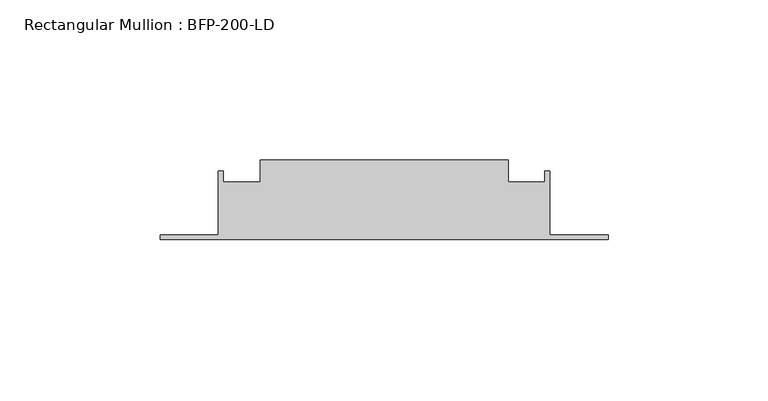
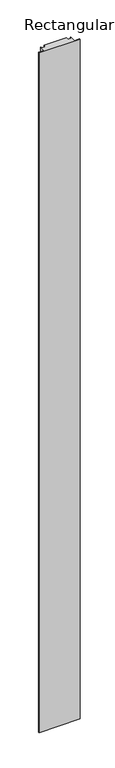
"""IFC4 building model written with IfcOpenShell, lengths in millimetres: member geometry, Rectangular Mullion : BFP-200-LD."""

from ifc_helpers import new_model, si_unit, frame, origin, place, context, project, spatial, polyline, outline, extrude, source, transform, mapped, element, save


def rectangular_mullion_bfp_200_ld_a60427b4(model_context):
    return source(origin(), model_context, "Body", "SweptSolid", [
        extrude(outline(polyline([(-31.25, 45.0), (-31.25, 38.0), (-19.75, 38.0), (-19.75, 41.5), (-18.25, 41.5), (-18.25, 21.5), (0.0, 21.5), (0.0, 20.0), (-140.0, 20.0), (-140.0, 21.5), (-121.75, 21.5), (-121.75, 41.5), (-120.25, 41.5), (-120.25, 38.0), (-108.75, 38.0), (-108.75, 45.0), (-31.25, 45.0)])), frame((0.0, 0.0, -2450.0), z_axis=(0.0, 0.0, 1.0), x_axis=(1.0, 0.0, 0.0)), (0.0, 0.0, 1.0), 2450.0),
    ])


if __name__ == "__main__":
    model = new_model("IFC4")
    model_context = context("Model", 3, world=origin())
    ifc_project = project(units=[si_unit("LENGTHUNIT", "METRE", prefix="MILLI")], contexts=[model_context])
    site = spatial("IfcSite", under=ifc_project)
    building = spatial("IfcBuilding", under=site)
    placement = place(None, origin())
    rectangular_mullion_bfp_200_ld_shape = rectangular_mullion_bfp_200_ld_a60427b4(model_context)
    element("IfcMember", 1, ObjectType="Rectangular Mullion : BFP-200-LD", at=placement, inside=building, context=model_context, shape_type="MappedRepresentation", body=[
        mapped(rectangular_mullion_bfp_200_ld_shape, transform((0.0, 0.0, 0.0), x_axis=(1.0, 0.0, 0.0), y_axis=(0.0, 1.0, 0.0), z_axis=(0.0, 0.0, 1.0))),
    ])
    save(model, "model.ifc")
